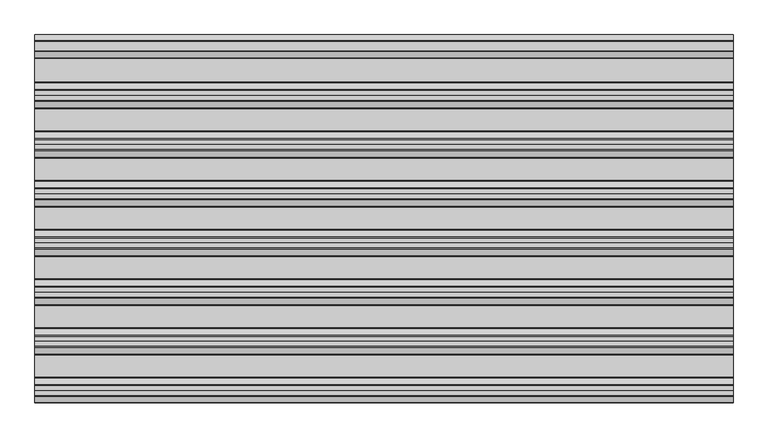
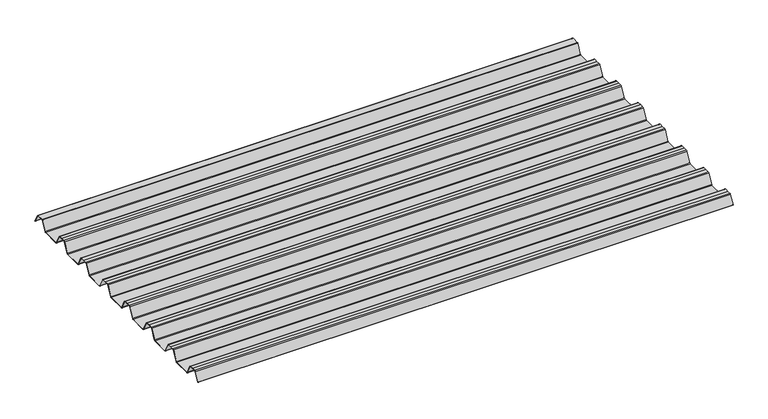
"""IFC4 building model written with IfcOpenShell, lengths in millimetres: beam geometry."""

from ifc_helpers import new_model, si_unit, point, frame, frame_2d, origin, place, context, project, spatial, polyline, circle_curve, trimmed, segment, composite_curve, outline, extrude, source, transform, mapped, element, save


def beam_0b19bf9b(model_context):
    return source(origin(), model_context, "Body", "SweptSolid", [
        extrude(outline(composite_curve([segment(trimmed(circle_curve(frame_2d((12.4202706, 6.454055)), 0.7571435), [point((13.1162593, 6.7521591))], [point((12.456054, 7.2103525))], True, "CARTESIAN"), True, "CONTINUOUS"), segment(polyline([(12.456054, 7.2103525), (-12.456054, 7.2103525)]), True, "CONTINUOUS"), segment(trimmed(circle_curve(frame_2d((-12.4202706, 6.454055)), 0.7571435), [point((-12.456054, 7.2103525))], [point((-13.1162593, 6.7521591))], True, "CARTESIAN"), True, "CONTINUOUS"), segment(polyline([(-13.1162593, 6.7521591), (-29.7452902, -24.2632513)]), True, "CONTINUOUS"), segment(trimmed(circle_curve(frame_2d((-32.2956191, -22.8958828)), 2.8937647), [point((-29.7452902, -24.2632513))], [point((-32.2956191, -25.7896475))], False, "CARTESIAN"), True, "CONTINUOUS"), segment(polyline([(-32.2956191, -25.7896475), (-92.0, -25.7896475)]), True, "CONTINUOUS"), segment(trimmed(circle_curve(frame_2d((-91.9202706, -22.03335)), 3.7571435), [point((-92.0, -25.7896475))], [point((-95.2893314, -23.6963464))], False, "CARTESIAN"), True, "CONTINUOUS"), segment(polyline([(-95.2893314, -23.6963464), (-112.0926736, 7.6441785)]), True, "CONTINUOUS"), segment(trimmed(circle_curve(frame_2d((-114.5797294, 6.454055)), 2.7571435), [point((-112.0926736, 7.6441785))], [point((-114.511431, 9.2103525))], True, "CARTESIAN"), True, "CONTINUOUS"), segment(polyline([(-114.511431, 9.2103525), (-127.0, 9.2103525), (-139.488569, 9.2103525)]), True, "CONTINUOUS"), segment(trimmed(circle_curve(frame_2d((-139.4202706, 6.454055)), 2.7571435), [point((-139.488569, 9.2103525))], [point((-141.9073264, 7.6441785))], True, "CARTESIAN"), True, "CONTINUOUS"), segment(polyline([(-141.9073264, 7.6441785), (-158.7106686, -23.6963464)]), True, "CONTINUOUS"), segment(trimmed(circle_curve(frame_2d((-162.0797294, -22.03335)), 3.7571435), [point((-158.7106686, -23.6963464))], [point((-162.0, -25.7896475))], False, "CARTESIAN"), True, "CONTINUOUS"), segment(polyline([(-162.0, -25.7896475), (-219.0, -25.7896475)]), True, "CONTINUOUS"), segment(trimmed(circle_curve(frame_2d((-218.9202706, -22.03335)), 3.7571435), [point((-219.0, -25.7896475))], [point((-222.2893314, -23.6963464))], False, "CARTESIAN"), True, "CONTINUOUS"), segment(polyline([(-222.2893314, -23.6963464), (-239.0926736, 7.6441785)]), True, "CONTINUOUS"), segment(trimmed(circle_curve(frame_2d((-241.5797294, 6.454055)), 2.7571435), [point((-239.0926736, 7.6441785))], [point((-241.511431, 9.2103525))], True, "CARTESIAN"), True, "CONTINUOUS"), segment(polyline([(-241.511431, 9.2103525), (-254.0, 9.2103525), (-266.488569, 9.2103525)]), True, "CONTINUOUS"), segment(trimmed(circle_curve(frame_2d((-266.4202706, 6.454055)), 2.7571435), [point((-266.488569, 9.2103525))], [point((-268.9073264, 7.6441785))], True, "CARTESIAN"), True, "CONTINUOUS"), segment(polyline([(-268.9073264, 7.6441785), (-285.7106686, -23.6963464)]), True, "CONTINUOUS"), segment(trimmed(circle_curve(frame_2d((-289.0797294, -22.03335)), 3.7571435), [point((-285.7106686, -23.6963464))], [point((-289.0, -25.7896475))], False, "CARTESIAN"), True, "CONTINUOUS"), segment(polyline([(-289.0, -25.7896475), (-346.0, -25.7896475)]), True, "CONTINUOUS"), segment(trimmed(circle_curve(frame_2d((-345.9202706, -22.03335)), 3.7571435), [point((-346.0, -25.7896475))], [point((-349.2893314, -23.6963464))], False, "CARTESIAN"), True, "CONTINUOUS"), segment(polyline([(-349.2893314, -23.6963464), (-366.0926736, 7.6441785)]), True, "CONTINUOUS"), segment(trimmed(circle_curve(frame_2d((-368.5797294, 6.454055)), 2.7571435), [point((-366.0926736, 7.6441785))], [point((-368.511431, 9.2103525))], True, "CARTESIAN"), True, "CONTINUOUS"), segment(polyline([(-368.511431, 9.2103525), (-381.0, 9.2103525), (-393.488569, 9.2103525)]), True, "CONTINUOUS"), segment(trimmed(circle_curve(frame_2d((-393.4202706, 6.454055)), 2.7571435), [point((-393.488569, 9.2103525))], [point((-395.9073264, 7.6441785))], True, "CARTESIAN"), True, "CONTINUOUS"), segment(polyline([(-395.9073264, 7.6441785), (-412.7106686, -23.6963464)]), True, "CONTINUOUS"), segment(trimmed(circle_curve(frame_2d((-416.0797294, -22.03335)), 3.7571435), [point((-412.7106686, -23.6963464))], [point((-416.0, -25.7896475))], False, "CARTESIAN"), True, "CONTINUOUS"), segment(polyline([(-416.0, -25.7896475), (-473.0, -25.7896475)]), True, "CONTINUOUS"), segment(trimmed(circle_curve(frame_2d((-472.9202706, -22.03335)), 3.7571435), [point((-473.0, -25.7896475))], [point((-476.2893314, -23.6963464))], False, "CARTESIAN"), True, "CONTINUOUS"), segment(polyline([(-476.2893314, -23.6963464), (-493.0926736, 7.6441785)]), True, "CONTINUOUS"), segment(trimmed(circle_curve(frame_2d((-495.5797294, 6.454055)), 2.7571435), [point((-493.0926736, 7.6441785))], [point((-495.511431, 9.2103525))], True, "CARTESIAN"), True, "CONTINUOUS"), segment(polyline([(-495.511431, 9.2103525), (-508.0, 9.2103525), (-520.488569, 9.2103525)]), True, "CONTINUOUS"), segment(trimmed(circle_curve(frame_2d((-520.4202706, 6.454055)), 2.7571435), [point((-520.488569, 9.2103525))], [point((-522.9073264, 7.6441785))], True, "CARTESIAN"), True, "CONTINUOUS"), segment(polyline([(-522.9073264, 7.6441785), (-539.7106686, -23.6963464)]), True, "CONTINUOUS"), segment(trimmed(circle_curve(frame_2d((-543.0797294, -22.03335)), 3.7571435), [point((-539.7106686, -23.6963464))], [point((-543.0, -25.7896475))], False, "CARTESIAN"), True, "CONTINUOUS"), segment(polyline([(-543.0, -25.7896475), (-600.0, -25.7896475)]), True, "CONTINUOUS"), segment(trimmed(circle_curve(frame_2d((-599.9202706, -22.03335)), 3.7571435), [point((-600.0, -25.7896475))], [point((-603.2893314, -23.6963464))], False, "CARTESIAN"), True, "CONTINUOUS"), segment(polyline([(-603.2893314, -23.6963464), (-620.0926736, 7.6441785)]), True, "CONTINUOUS"), segment(trimmed(circle_curve(frame_2d((-622.5797294, 6.454055)), 2.7571435), [point((-620.0926736, 7.6441785))], [point((-622.511431, 9.2103525))], True, "CARTESIAN"), True, "CONTINUOUS"), segment(polyline([(-622.511431, 9.2103525), (-635.0, 9.2103525), (-647.488569, 9.2103525)]), True, "CONTINUOUS"), segment(trimmed(circle_curve(frame_2d((-647.4202706, 6.454055)), 2.7571435), [point((-647.488569, 9.2103525))], [point((-649.9073264, 7.6441785))], True, "CARTESIAN"), True, "CONTINUOUS"), segment(polyline([(-649.9073264, 7.6441785), (-666.7106686, -23.6963464)]), True, "CONTINUOUS"), segment(trimmed(circle_curve(frame_2d((-670.0797294, -22.03335)), 3.7571435), [point((-666.7106686, -23.6963464))], [point((-670.0, -25.7896475))], False, "CARTESIAN"), True, "CONTINUOUS"), segment(polyline([(-670.0, -25.7896475), (-727.0, -25.7896475)]), True, "CONTINUOUS"), segment(trimmed(circle_curve(frame_2d((-726.9202706, -22.03335)), 3.7571435), [point((-727.0, -25.7896475))], [point((-730.2893314, -23.6963464))], False, "CARTESIAN"), True, "CONTINUOUS"), segment(polyline([(-730.2893314, -23.6963464), (-747.0926736, 7.6441785)]), True, "CONTINUOUS"), segment(trimmed(circle_curve(frame_2d((-749.5797294, 6.454055)), 2.7571435), [point((-747.0926736, 7.6441785))], [point((-749.511431, 9.2103525))], True, "CARTESIAN"), True, "CONTINUOUS"), segment(polyline([(-749.511431, 9.2103525), (-762.0, 9.2103525), (-774.488569, 9.2103525)]), True, "CONTINUOUS"), segment(trimmed(circle_curve(frame_2d((-774.4202706, 6.454055)), 2.7571435), [point((-774.488569, 9.2103525))], [point((-776.9073264, 7.6441785))], True, "CARTESIAN"), True, "CONTINUOUS"), segment(polyline([(-776.9073264, 7.6441785), (-793.7106686, -23.6963464)]), True, "CONTINUOUS"), segment(trimmed(circle_curve(frame_2d((-797.0797294, -22.03335)), 3.7571435), [point((-793.7106686, -23.6963464))], [point((-797.0, -25.7896475))], False, "CARTESIAN"), True, "CONTINUOUS"), segment(polyline([(-797.0, -25.7896475), (-854.0, -25.7896475)]), True, "CONTINUOUS"), segment(trimmed(circle_curve(frame_2d((-853.9202706, -22.03335)), 3.7571435), [point((-854.0, -25.7896475))], [point((-857.2893314, -23.6963464))], False, "CARTESIAN"), True, "CONTINUOUS"), segment(polyline([(-857.2893314, -23.6963464), (-874.0926736, 7.6441785)]), True, "CONTINUOUS"), segment(trimmed(circle_curve(frame_2d((-876.5797294, 6.454055)), 2.7571435), [point((-874.0926736, 7.6441785))], [point((-876.511431, 9.2103525))], True, "CARTESIAN"), True, "CONTINUOUS"), segment(polyline([(-876.511431, 9.2103525), (-889.0, 9.2103525), (-901.488569, 9.2103525)]), True, "CONTINUOUS"), segment(trimmed(circle_curve(frame_2d((-901.4202706, 6.454055)), 2.7571435), [point((-901.488569, 9.2103525))], [point((-903.9073264, 7.6441785))], True, "CARTESIAN"), True, "CONTINUOUS"), segment(polyline([(-903.9073264, 7.6441785), (-918.9585755, -20.4284536)]), True, "CONTINUOUS"), segment(trimmed(circle_curve(frame_2d((-919.3992348, -20.1921924)), 0.5), [point((-918.9585755, -20.4284536))], [point((-919.8398941, -19.9559313))], False, "CARTESIAN"), True, "CONTINUOUS"), segment(polyline([(-919.8398941, -19.9559313), (-904.7986379, 8.0980628)]), True, "CONTINUOUS"), segment(trimmed(circle_curve(frame_2d((-901.4202706, 6.454055)), 3.7571435), [point((-904.7986379, 8.0980628))], [point((-901.5, 10.2103525))], False, "CARTESIAN"), True, "CONTINUOUS"), segment(polyline([(-901.5, 10.2103525), (-889.0, 10.2103525), (-876.5, 10.2103525)]), True, "CONTINUOUS"), segment(trimmed(circle_curve(frame_2d((-876.5797294, 6.454055)), 3.7571435), [point((-876.5, 10.2103525))], [point((-873.2013621, 8.0980628))], False, "CARTESIAN"), True, "CONTINUOUS"), segment(polyline([(-873.2013621, 8.0980628), (-856.3994529, -23.2397892)]), True, "CONTINUOUS"), segment(trimmed(circle_curve(frame_2d((-853.9202706, -22.03335)), 2.7571435), [point((-856.3994529, -23.2397892))], [point((-853.988569, -24.7896475))], True, "CARTESIAN"), True, "CONTINUOUS"), segment(polyline([(-853.988569, -24.7896475), (-797.011431, -24.7896475)]), True, "CONTINUOUS"), segment(trimmed(circle_curve(frame_2d((-797.0797294, -22.03335)), 2.7571435), [point((-797.011431, -24.7896475))], [point((-794.6005471, -23.2397892))], True, "CARTESIAN"), True, "CONTINUOUS"), segment(polyline([(-794.6005471, -23.2397892), (-777.7986379, 8.0980628)]), True, "CONTINUOUS"), segment(trimmed(circle_curve(frame_2d((-774.4202706, 6.454055)), 3.7571435), [point((-777.7986379, 8.0980628))], [point((-774.5, 10.2103525))], False, "CARTESIAN"), True, "CONTINUOUS"), segment(polyline([(-774.5, 10.2103525), (-762.0, 10.2103525), (-749.5, 10.2103525)]), True, "CONTINUOUS"), segment(trimmed(circle_curve(frame_2d((-749.5797294, 6.454055)), 3.7571435), [point((-749.5, 10.2103525))], [point((-746.2013621, 8.0980628))], False, "CARTESIAN"), True, "CONTINUOUS"), segment(polyline([(-746.2013621, 8.0980628), (-729.3994529, -23.2397892)]), True, "CONTINUOUS"), segment(trimmed(circle_curve(frame_2d((-726.9202706, -22.03335)), 2.7571435), [point((-729.3994529, -23.2397892))], [point((-726.988569, -24.7896475))], True, "CARTESIAN"), True, "CONTINUOUS"), segment(polyline([(-726.988569, -24.7896475), (-670.011431, -24.7896475)]), True, "CONTINUOUS"), segment(trimmed(circle_curve(frame_2d((-670.0797294, -22.03335)), 2.7571435), [point((-670.011431, -24.7896475))], [point((-667.6005471, -23.2397892))], True, "CARTESIAN"), True, "CONTINUOUS"), segment(polyline([(-667.6005471, -23.2397892), (-650.7986379, 8.0980628)]), True, "CONTINUOUS"), segment(trimmed(circle_curve(frame_2d((-647.4202706, 6.454055)), 3.7571435), [point((-650.7986379, 8.0980628))], [point((-647.5, 10.2103525))], False, "CARTESIAN"), True, "CONTINUOUS"), segment(polyline([(-647.5, 10.2103525), (-635.0, 10.2103525), (-622.5, 10.2103525)]), True, "CONTINUOUS"), segment(trimmed(circle_curve(frame_2d((-622.5797294, 6.454055)), 3.7571435), [point((-622.5, 10.2103525))], [point((-619.2013621, 8.0980628))], False, "CARTESIAN"), True, "CONTINUOUS"), segment(polyline([(-619.2013621, 8.0980628), (-602.3994529, -23.2397892)]), True, "CONTINUOUS"), segment(trimmed(circle_curve(frame_2d((-599.9202706, -22.03335)), 2.7571435), [point((-602.3994529, -23.2397892))], [point((-599.988569, -24.7896475))], True, "CARTESIAN"), True, "CONTINUOUS"), segment(polyline([(-599.988569, -24.7896475), (-543.011431, -24.7896475)]), True, "CONTINUOUS"), segment(trimmed(circle_curve(frame_2d((-543.0797294, -22.03335)), 2.7571435), [point((-543.011431, -24.7896475))], [point((-540.6005471, -23.2397892))], True, "CARTESIAN"), True, "CONTINUOUS"), segment(polyline([(-540.6005471, -23.2397892), (-523.7986379, 8.0980628)]), True, "CONTINUOUS"), segment(trimmed(circle_curve(frame_2d((-520.4202706, 6.454055)), 3.7571435), [point((-523.7986379, 8.0980628))], [point((-520.5, 10.2103525))], False, "CARTESIAN"), True, "CONTINUOUS"), segment(polyline([(-520.5, 10.2103525), (-508.0, 10.2103525), (-495.5, 10.2103525)]), True, "CONTINUOUS"), segment(trimmed(circle_curve(frame_2d((-495.5797294, 6.454055)), 3.7571435), [point((-495.5, 10.2103525))], [point((-492.2013621, 8.0980628))], False, "CARTESIAN"), True, "CONTINUOUS"), segment(polyline([(-492.2013621, 8.0980628), (-475.3994529, -23.2397892)]), True, "CONTINUOUS"), segment(trimmed(circle_curve(frame_2d((-472.9202706, -22.03335)), 2.7571435), [point((-475.3994529, -23.2397892))], [point((-472.988569, -24.7896475))], True, "CARTESIAN"), True, "CONTINUOUS"), segment(polyline([(-472.988569, -24.7896475), (-416.011431, -24.7896475)]), True, "CONTINUOUS"), segment(trimmed(circle_curve(frame_2d((-416.0797294, -22.03335)), 2.7571435), [point((-416.011431, -24.7896475))], [point((-413.6005471, -23.2397892))], True, "CARTESIAN"), True, "CONTINUOUS"), segment(polyline([(-413.6005471, -23.2397892), (-396.7986379, 8.0980628)]), True, "CONTINUOUS"), segment(trimmed(circle_curve(frame_2d((-393.4202706, 6.454055)), 3.7571435), [point((-396.7986379, 8.0980628))], [point((-393.5, 10.2103525))], False, "CARTESIAN"), True, "CONTINUOUS"), segment(polyline([(-393.5, 10.2103525), (-381.0, 10.2103525), (-368.5, 10.2103525)]), True, "CONTINUOUS"), segment(trimmed(circle_curve(frame_2d((-368.5797294, 6.454055)), 3.7571435), [point((-368.5, 10.2103525))], [point((-365.2013621, 8.0980628))], False, "CARTESIAN"), True, "CONTINUOUS"), segment(polyline([(-365.2013621, 8.0980628), (-348.3994529, -23.2397892)]), True, "CONTINUOUS"), segment(trimmed(circle_curve(frame_2d((-345.9202706, -22.03335)), 2.7571435), [point((-348.3994529, -23.2397892))], [point((-345.988569, -24.7896475))], True, "CARTESIAN"), True, "CONTINUOUS"), segment(polyline([(-345.988569, -24.7896475), (-289.011431, -24.7896475)]), True, "CONTINUOUS"), segment(trimmed(circle_curve(frame_2d((-289.0797294, -22.03335)), 2.7571435), [point((-289.011431, -24.7896475))], [point((-286.6005471, -23.2397892))], True, "CARTESIAN"), True, "CONTINUOUS"), segment(polyline([(-286.6005471, -23.2397892), (-269.7986379, 8.0980628)]), True, "CONTINUOUS"), segment(trimmed(circle_curve(frame_2d((-266.4202706, 6.454055)), 3.7571435), [point((-269.7986379, 8.0980628))], [point((-266.5, 10.2103525))], False, "CARTESIAN"), True, "CONTINUOUS"), segment(polyline([(-266.5, 10.2103525), (-254.0, 10.2103525), (-241.5, 10.2103525)]), True, "CONTINUOUS"), segment(trimmed(circle_curve(frame_2d((-241.5797294, 6.454055)), 3.7571435), [point((-241.5, 10.2103525))], [point((-238.2013621, 8.0980628))], False, "CARTESIAN"), True, "CONTINUOUS"), segment(polyline([(-238.2013621, 8.0980628), (-221.3994529, -23.2397892)]), True, "CONTINUOUS"), segment(trimmed(circle_curve(frame_2d((-218.9202706, -22.03335)), 2.7571435), [point((-221.3994529, -23.2397892))], [point((-218.988569, -24.7896475))], True, "CARTESIAN"), True, "CONTINUOUS"), segment(polyline([(-218.988569, -24.7896475), (-162.011431, -24.7896475)]), True, "CONTINUOUS"), segment(trimmed(circle_curve(frame_2d((-162.0797294, -22.03335)), 2.7571435), [point((-162.011431, -24.7896475))], [point((-159.6005471, -23.2397892))], True, "CARTESIAN"), True, "CONTINUOUS"), segment(polyline([(-159.6005471, -23.2397892), (-142.7986379, 8.0980628)]), True, "CONTINUOUS"), segment(trimmed(circle_curve(frame_2d((-139.4202706, 6.454055)), 3.7571435), [point((-142.7986379, 8.0980628))], [point((-139.5, 10.2103525))], False, "CARTESIAN"), True, "CONTINUOUS"), segment(polyline([(-139.5, 10.2103525), (-127.0, 10.2103525), (-114.5, 10.2103525)]), True, "CONTINUOUS"), segment(trimmed(circle_curve(frame_2d((-114.5797294, 6.454055)), 3.7571435), [point((-114.5, 10.2103525))], [point((-111.2013621, 8.0980628))], False, "CARTESIAN"), True, "CONTINUOUS"), segment(polyline([(-111.2013621, 8.0980628), (-94.3994529, -23.2397892)]), True, "CONTINUOUS"), segment(trimmed(circle_curve(frame_2d((-91.9202706, -22.03335)), 2.7571435), [point((-94.3994529, -23.2397892))], [point((-91.988569, -24.7896475))], True, "CARTESIAN"), True, "CONTINUOUS"), segment(polyline([(-91.988569, -24.7896475), (-32.2956191, -24.7896475)]), True, "CONTINUOUS"), segment(trimmed(circle_curve(frame_2d((-32.2956191, -22.8958828)), 1.8937647), [point((-32.2956191, -24.7896475))], [point((-30.6266089, -23.790729))], True, "CARTESIAN"), True, "CONTINUOUS"), segment(polyline([(-30.6266089, -23.790729), (-14.013963, 7.1941212)]), True, "CONTINUOUS"), segment(trimmed(circle_curve(frame_2d((-12.4202706, 6.454055)), 1.7571435), [point((-14.013963, 7.1941212))], [point((-12.4747918, 8.2103525))], False, "CARTESIAN"), True, "CONTINUOUS"), segment(polyline([(-12.4747918, 8.2103525), (12.4747918, 8.2103525)]), True, "CONTINUOUS"), segment(trimmed(circle_curve(frame_2d((12.4202706, 6.454055)), 1.7571435), [point((12.4747918, 8.2103525))], [point((14.013963, 7.1941212))], False, "CARTESIAN"), True, "CONTINUOUS"), segment(polyline([(14.013963, 7.1941212), (29.5895021, -21.8563833)]), True, "CONTINUOUS"), segment(trimmed(circle_curve(frame_2d((29.1488427, -22.0926445)), 0.5), [point((29.5895021, -21.8563833))], [point((28.7081834, -22.3289057))], False, "CARTESIAN"), True, "CONTINUOUS"), segment(polyline([(28.7081834, -22.3289057), (13.1162593, 6.7521591)]), True, "CONTINUOUS")], self_intersect=False)), frame((-900.0, 0.0, 0.0), z_axis=(1.0, 0.0, 0.0), x_axis=(0.0, 1.0, 0.0)), (0.0, 0.0, 1.0), 1800.0),
    ])


if __name__ == "__main__":
    model = new_model("IFC4")
    model_context = context("Model", 3, world=origin())
    ifc_project = project(units=[si_unit("LENGTHUNIT", "METRE", prefix="MILLI")], contexts=[model_context])
    site = spatial("IfcSite", under=ifc_project)
    building = spatial("IfcBuilding", under=site)
    placement = place(None, origin())
    beam_shape = beam_0b19bf9b(model_context)
    element("IfcBeam", 1, at=placement, inside=building, context=model_context, shape_type="MappedRepresentation", body=[
        mapped(beam_shape, transform((0.0, 0.0, 0.0), x_axis=(1.0, 0.0, 0.0), y_axis=(0.0, 1.0, 0.0), z_axis=(0.0, 0.0, 1.0))),
    ])
    save(model, "model.ifc")
